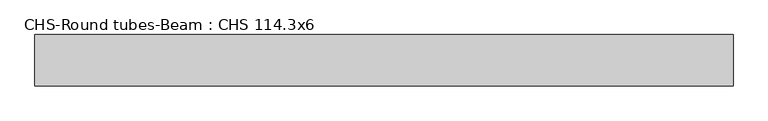
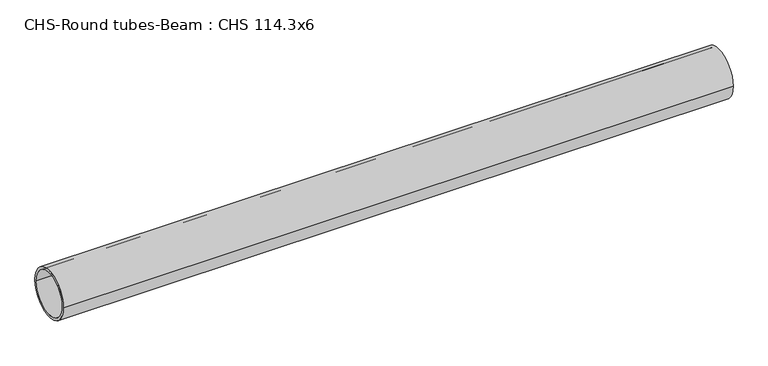
"""IFC4 building model written with IfcOpenShell, lengths in millimetres: beam geometry, CHS-Round tubes-Beam : CHS 114.3x6."""

from ifc_helpers import new_model, si_unit, point, frame, origin, origin_2d, place, context, project, spatial, circle_curve, trimmed, segment, composite_curve, outline, extrude, source, transform, mapped, element, save


def chs_round_tubes_beam_chs_114_3x6_8bc8e390(model_context):
    return source(origin(), model_context, "Body", "SweptSolid", [
        extrude(outline(composite_curve([segment(trimmed(circle_curve(origin_2d(), 57.15), [point((57.15, 0.0))], [point((-57.15, 0.0))], False, "CARTESIAN"), True, "CONTINUOUS"), segment(trimmed(circle_curve(origin_2d(), 57.15), [point((-57.15, 0.0))], [point((57.15, 0.0))], False, "CARTESIAN"), True, "CONTINUOUS")], self_intersect=False), holes=[composite_curve([segment(trimmed(circle_curve(origin_2d(), 51.15), [point((51.15, 0.0))], [point((-51.15, 0.0))], True, "CARTESIAN"), True, "CONTINUOUS"), segment(trimmed(circle_curve(origin_2d(), 51.15), [point((-51.15, 0.0))], [point((51.15, 0.0))], True, "CARTESIAN"), True, "CONTINUOUS")], self_intersect=False)]), frame((-790.0423664, 0.0, 0.0), z_axis=(1.0, 0.0, 0.0), x_axis=(0.0, 1.0, 0.0)), (0.0, 0.0, 1.0), 1555.3748696),
    ])


if __name__ == "__main__":
    model = new_model("IFC4")
    model_context = context("Model", 3, world=origin())
    ifc_project = project(units=[si_unit("LENGTHUNIT", "METRE", prefix="MILLI")], contexts=[model_context])
    site = spatial("IfcSite", under=ifc_project)
    building = spatial("IfcBuilding", under=site)
    placement = place(None, origin())
    chs_round_tubes_beam_chs_114_3x6_shape = chs_round_tubes_beam_chs_114_3x6_8bc8e390(model_context)
    element("IfcBeam", 1, ObjectType="CHS-Round tubes-Beam : CHS 114.3x6", at=placement, inside=building, context=model_context, shape_type="MappedRepresentation", body=[
        mapped(chs_round_tubes_beam_chs_114_3x6_shape, transform((0.0, 0.0, 0.0), x_axis=(1.0, 0.0, 0.0), y_axis=(0.0, 1.0, 0.0), z_axis=(0.0, 0.0, 1.0))),
    ])
    save(model, "model.ifc")
